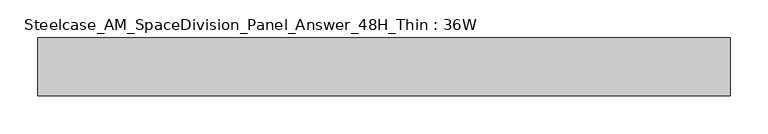
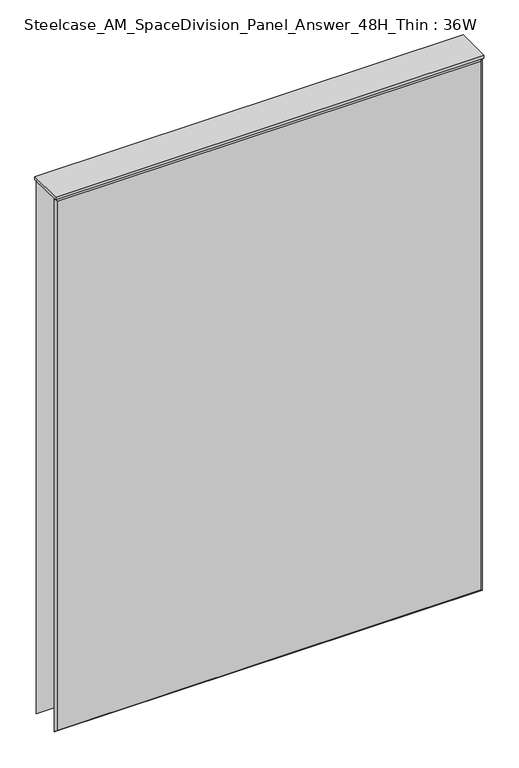
"""IFC4 building model written with IfcOpenShell, lengths in millimetres: furniture geometry, Steelcase_AM_SpaceDivision_Panel_Answer_48H_Thin : 36W."""

import ifcopenshell
import ifcopenshell.guid

model = None  # the IFC model being written
_history = None  # IfcOwnerHistory: only IFC2X3 demands one
_inside = {}  # id of a spatial element -> (the spatial element, [elements in it])
_under = {}  # id of a project, library or spatial element -> (it, [spatial elements below it])
_declared = {}  # id of a project -> (the project, [libraries it declares])
_typed = {}  # id of a type object -> (the type object, [elements of that type])
_made_of = {}  # id of a material, layer set ... -> (it, [elements and type objects made of it])


def new_model(schema):
    """Start an empty IFC model of exactly this schema.

    Asked for "IFC4X3", IfcOpenShell would pick the latest addendum, in which some entities
    have other attributes; the version numbers below select the first issue.
    IFC2X3 requires an IfcOwnerHistory on every rooted entity: one is made here for all.
    """
    global model, _history
    if schema == "IFC4X3":
        model = ifcopenshell.file(schema_version=(4, 3, 0, 0))
    else:
        model = ifcopenshell.file(schema=schema)
    _inside.clear()
    _under.clear()
    _declared.clear()
    _typed.clear()
    _made_of.clear()
    _history = None
    if model.schema == "IFC2X3":
        org = make("IfcOrganization", Name="unknown")
        user = make(
            "IfcPersonAndOrganization",
            ThePerson=make("IfcPerson", FamilyName="unknown"),
            TheOrganization=org,
        )
        app = make(
            "IfcApplication",
            ApplicationDeveloper=org,
            Version="unknown",
            ApplicationFullName="unknown",
            ApplicationIdentifier="unknown",
        )
        _history = make(
            "IfcOwnerHistory",
            OwningUser=user,
            OwningApplication=app,
            ChangeAction="ADDED",
            CreationDate=0,
        )
    return model


def make(cls, **values):
    """One entity of the class cls with the attributes given. An attribute that is None is left unset."""
    return model.create_entity(
        cls, **{name: value for name, value in values.items() if value is not None}
    )


def rooted(cls, **values):
    """An entity with a GlobalId (a new one), such as an element, a storey or a relation."""
    return make(cls, GlobalId=ifcopenshell.guid.new(), OwnerHistory=_history, **values)


def si_unit(unit_type, name, prefix=None):
    """IfcSIUnit, for example si_unit("LENGTHUNIT", "METRE", prefix="MILLI")."""
    return make("IfcSIUnit", UnitType=unit_type, Prefix=prefix, Name=name)


def assignment(units):
    """IfcUnitAssignment: the units of a project."""
    return None if units is None else make("IfcUnitAssignment", Units=units)


def point(xyz):
    """IfcCartesianPoint."""
    return None if xyz is None else make("IfcCartesianPoint", Coordinates=xyz)


def direction(xyz):
    """IfcDirection."""
    return None if xyz is None else make("IfcDirection", DirectionRatios=xyz)


def frame(location, z_axis=None, x_axis=None):
    """IfcAxis2Placement3D, a coordinate frame: its origin and axes. An axis left out is left unset."""
    return make(
        "IfcAxis2Placement3D",
        Location=point(location),
        Axis=direction(z_axis),
        RefDirection=direction(x_axis),
    )


def origin():
    """The frame at (0, 0, 0) with its axes left unset."""
    return frame((0.0, 0.0, 0.0))


def place(relative_to, where):
    """IfcLocalPlacement: puts the frame where relative to a parent placement (None: the world)."""
    return make(
        "IfcLocalPlacement", PlacementRelTo=relative_to, RelativePlacement=where
    )


def context(
    kind, dimensions, precision=None, world=None, true_north=None, identifier=None
):
    """IfcGeometricRepresentationContext, for example the 3D "Model" context."""
    return make(
        "IfcGeometricRepresentationContext",
        ContextIdentifier=identifier,
        ContextType=kind,
        CoordinateSpaceDimension=dimensions,
        Precision=precision,
        WorldCoordinateSystem=world,
        TrueNorth=true_north,
    )


def project(units=None, contexts=None):
    """IfcProject with its units and contexts."""
    return rooted(
        "IfcProject",
        Name="project",
        RepresentationContexts=contexts,
        UnitsInContext=assignment(units),
    )


def spatial(cls, under=None, at=None, **own):
    """A site, building, storey or space (cls), placed at a placement, below another one or the project."""
    s = rooted(cls, ObjectPlacement=at, **own)
    if under is not None:
        _under.setdefault(under.id(), (under, []))[1].append(s)
    return s


def polyline(points):
    """IfcPolyline through the points."""
    return make("IfcPolyline", Points=[point(p) for p in points])


def outline(outer, holes=None, kind="AREA"):
    """IfcArbitraryClosedProfileDef: a profile drawn as a closed curve; with holes, ...WithVoids."""
    if holes is None:
        return make("IfcArbitraryClosedProfileDef", ProfileType=kind, OuterCurve=outer)
    return make(
        "IfcArbitraryProfileDefWithVoids",
        ProfileType=kind,
        OuterCurve=outer,
        InnerCurves=holes,
    )


def extrude(swept, where, along, depth):
    """IfcExtrudedAreaSolid: the profile swept, set in the frame where, extruded along a direction by depth."""
    return make(
        "IfcExtrudedAreaSolid",
        SweptArea=swept,
        Position=where,
        ExtrudedDirection=direction(along),
        Depth=depth,
    )


def faces_of(points, faces, orient=None, outer=None):
    """IfcFace entities. A face is a list of loops; a loop is a list of indices into points, from 0.

    orient and outer hold one flag for each loop. By default every Orientation is true, the
    first loop of a face is its IfcFaceOuterBound and the others are IfcFaceBound.
    """
    made = []
    for i, loops in enumerate(faces):
        bounds = []
        for j, loop in enumerate(loops):
            is_outer = j == 0 if outer is None else outer[i][j]
            bounds.append(
                make(
                    "IfcFaceOuterBound" if is_outer else "IfcFaceBound",
                    Bound=make("IfcPolyLoop", Polygon=[points[k] for k in loop]),
                    Orientation=True if orient is None else orient[i][j],
                )
            )
        made.append(make("IfcFace", Bounds=bounds))
    return made


def faceted_brep(points, faces, orient=None, outer=None, voids=None):
    """IfcFacetedBrep: a solid bounded by flat faces; with voids (closed shells), ...WithVoids."""
    shared = [point(p) for p in points]
    hull = make("IfcClosedShell", CfsFaces=faces_of(shared, faces, orient, outer))
    if voids is None:
        return make("IfcFacetedBrep", Outer=hull)
    return make(
        "IfcFacetedBrepWithVoids",
        Outer=hull,
        Voids=[
            make(cls, CfsFaces=faces_of(shared, fs, o, b)) for cls, fs, o, b in voids
        ],
    )


def shape(context_of_items, identifier, shape_type, items):
    """IfcShapeRepresentation: the items that make up one representation, for example the "Body"."""
    return make(
        "IfcShapeRepresentation",
        ContextOfItems=context_of_items,
        RepresentationIdentifier=identifier,
        RepresentationType=shape_type,
        Items=items,
    )


def source(mapping_origin, context_of_items, identifier, shape_type, items):
    """IfcRepresentationMap: a shape defined once, which mapped items show again and again."""
    return make(
        "IfcRepresentationMap",
        MappingOrigin=mapping_origin,
        MappedRepresentation=shape(context_of_items, identifier, shape_type, items),
    )


def transform(
    local_origin,
    x_axis=None,
    y_axis=None,
    z_axis=None,
    scale=None,
    scale2=None,
    scale3=None,
    uniform=True,
):
    """IfcCartesianTransformationOperator3D, or its non-uniform kind. x_axis, y_axis, z_axis: its Axis1, 2, 3."""
    if uniform:
        return make(
            "IfcCartesianTransformationOperator3D",
            Axis1=direction(x_axis),
            Axis2=direction(y_axis),
            LocalOrigin=point(local_origin),
            Scale=scale,
            Axis3=direction(z_axis),
        )
    return make(
        "IfcCartesianTransformationOperator3DnonUniform",
        Axis1=direction(x_axis),
        Axis2=direction(y_axis),
        LocalOrigin=point(local_origin),
        Scale=scale,
        Axis3=direction(z_axis),
        Scale2=scale2,
        Scale3=scale3,
    )


def mapped(mapping_source, mapping_target):
    """IfcMappedItem: shows the shape of a source again, moved by a transform."""
    return make(
        "IfcMappedItem", MappingSource=mapping_source, MappingTarget=mapping_target
    )


def made_of(thing, what):
    """Note that an element or type object is made of a material, layer set ...; save() writes the relation."""
    if what is not None:
        _made_of.setdefault(what.id(), (what, []))[1].append(thing)
    return thing


def element(
    cls,
    number,
    at=None,
    inside=None,
    cuts=None,
    type_object=None,
    material=None,
    context=None,
    identifier="Body",
    shape_type=None,
    held_by="IfcProductDefinitionShape",
    body=None,
    shapes=None,
    **own,
):
    """One element of the class cls, such as IfcWall. Its Tag is "e" and its number.

    at: its placement. inside: the storey or other place that contains it. cuts: it is an
    opening in that element (IfcRelVoidsElement). A single representation is given by context,
    identifier, shape_type and body (its items); several are given by shapes. held_by: the class
    of the entity that holds the representations. save() writes the other relations.
    """
    e = rooted(cls, Tag="e%d" % number, ObjectPlacement=at, **own)
    if body is not None:
        shapes = [shape(context, identifier, shape_type, body)]
    if shapes is not None:
        e.Representation = make(held_by, Representations=shapes)
    if inside is not None:
        _inside.setdefault(inside.id(), (inside, []))[1].append(e)
    if cuts is not None:
        rooted(
            "IfcRelVoidsElement", RelatingBuildingElement=cuts, RelatedOpeningElement=e
        )
    if type_object is not None:
        _typed.setdefault(type_object.id(), (type_object, []))[1].append(e)
    return made_of(e, material)


def aggregate(whole, parts):
    """IfcRelAggregates: a whole, such as a stair, and the parts it consists of."""
    return rooted("IfcRelAggregates", RelatingObject=whole, RelatedObjects=parts)


def save(model, path):
    """Write the relations noted so far, then the file.

    IfcRelAggregates (storeys below a building ...), IfcRelContainedInSpatialStructure (elements
    in a storey), IfcRelDefinesByType, IfcRelAssociatesMaterial and IfcRelDeclares: one each for
    every whole, place, type object, material and project.
    """
    for whole, parts in _under.values():
        aggregate(whole, parts)
    for where, things in _inside.values():
        rooted(
            "IfcRelContainedInSpatialStructure",
            RelatedElements=things,
            RelatingStructure=where,
        )
    for kind, things in _typed.values():
        rooted("IfcRelDefinesByType", RelatedObjects=things, RelatingType=kind)
    for what, things in _made_of.values():
        rooted("IfcRelAssociatesMaterial", RelatedObjects=things, RelatingMaterial=what)
    for by, libraries in _declared.values():
        rooted("IfcRelDeclares", RelatingContext=by, RelatedDefinitions=libraries)
    model.write(path)


def steelcase_am_spacedivision_panel_answer_48h_thin_36w_f286d55e(model_context):
    return source(origin(), model_context, "Body", "SolidModel", [
        faceted_brep([(-452.374, 38.0960551, 1214.374), (452.374, 38.0960551, 1214.374), (452.374, 38.0960551, 20.32), (-452.374, 38.0960551, 20.32), (-457.2, 33.2700551, 1219.2), (-457.2, 33.2700551, 15.494), (457.2, 33.2700551, 15.494), (457.2, 33.2700551, 1219.2)], [[[0, 1, 2, 3]], [[4, 5, 6, 7]], [[4, 7, 1, 0]], [[7, 6, 2, 1]], [[6, 5, 3, 2]], [[5, 4, 0, 3]]]),
        faceted_brep([(452.374, -38.0960551, 1214.374), (-452.374, -38.0960551, 1214.374), (-452.374, -38.0960551, 20.32), (452.374, -38.0960551, 20.32), (457.2, -33.2700551, 1219.2), (457.2, -33.2700551, 15.494), (-457.2, -33.2700551, 15.494), (-457.2, -33.2700551, 1219.2)], [[[0, 1, 2, 3]], [[4, 5, 6, 7]], [[4, 7, 1, 0]], [[7, 6, 2, 1]], [[6, 5, 3, 2]], [[5, 4, 0, 3]]]),
        extrude(outline(polyline([(457.2, 38.1000194), (457.2, -38.1000194), (-457.2, -38.1000194), (-457.2, 38.1000194), (457.2, 38.1000194)])), frame((0.0, 0.0, 1219.2), z_axis=(0.0, 0.0, 1.0), x_axis=(1.0, 0.0, 0.0)), (0.0, 0.0, 1.0), 6.35),
    ])


if __name__ == "__main__":
    model = new_model("IFC4")
    model_context = context("Model", 3, world=origin())
    ifc_project = project(units=[si_unit("LENGTHUNIT", "METRE", prefix="MILLI")], contexts=[model_context])
    site = spatial("IfcSite", under=ifc_project)
    building = spatial("IfcBuilding", under=site)
    placement = place(None, origin())
    steelcase_am_spacedivision_panel_answer_48h_thin_36w_shape = steelcase_am_spacedivision_panel_answer_48h_thin_36w_f286d55e(model_context)
    element("IfcFurniture", 1, ObjectType="Steelcase_AM_SpaceDivision_Panel_Answer_48H_Thin : 36W", at=placement, inside=building, context=model_context, shape_type="MappedRepresentation", body=[
        mapped(steelcase_am_spacedivision_panel_answer_48h_thin_36w_shape, transform((0.0, 0.0, 0.0), x_axis=(1.0, 0.0, 0.0), y_axis=(0.0, 1.0, 0.0), z_axis=(0.0, 0.0, 1.0))),
    ])
    save(model, "model.ifc")
